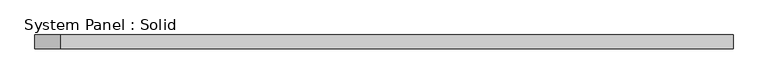
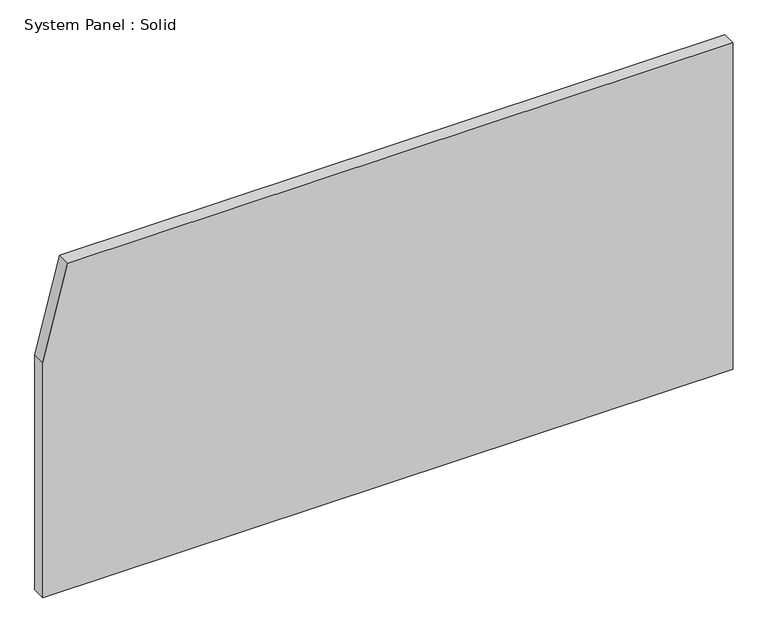
"""IFC4 building model written with IfcOpenShell, lengths in millimetres: plate geometry, System Panel : Solid."""

from ifc_helpers import new_model, si_unit, frame, origin, place, context, project, spatial, polyline, outline, extrude, source, transform, mapped, element, save


def system_panel_solid_f09ed9cc(model_context):
    return source(origin(), model_context, "Body", "SweptSolid", [
        extrude(outline(polyline([(0.0, -1500.0), (0.0, 1500.0), (1500.0, 1500.0), (1500.0, -1391.4677207), (1081.0282043, -1500.0), (0.0, -1500.0)])), frame((0.0, -10.5, 0.0), z_axis=(0.0, 1.0, 0.0), x_axis=(0.0, 0.0, 1.0)), (0.0, 0.0, 1.0), 60.0),
    ])


if __name__ == "__main__":
    model = new_model("IFC4")
    model_context = context("Model", 3, world=origin())
    ifc_project = project(units=[si_unit("LENGTHUNIT", "METRE", prefix="MILLI")], contexts=[model_context])
    site = spatial("IfcSite", under=ifc_project)
    building = spatial("IfcBuilding", under=site)
    placement = place(None, origin())
    system_panel_solid_shape = system_panel_solid_f09ed9cc(model_context)
    element("IfcPlate", 1, ObjectType="System Panel : Solid", at=placement, inside=building, context=model_context, shape_type="MappedRepresentation", body=[
        mapped(system_panel_solid_shape, transform((0.0, 0.0, 0.0), x_axis=(1.0, 0.0, 0.0), y_axis=(0.0, 1.0, 0.0), z_axis=(0.0, 0.0, 1.0))),
    ])
    save(model, "model.ifc")
